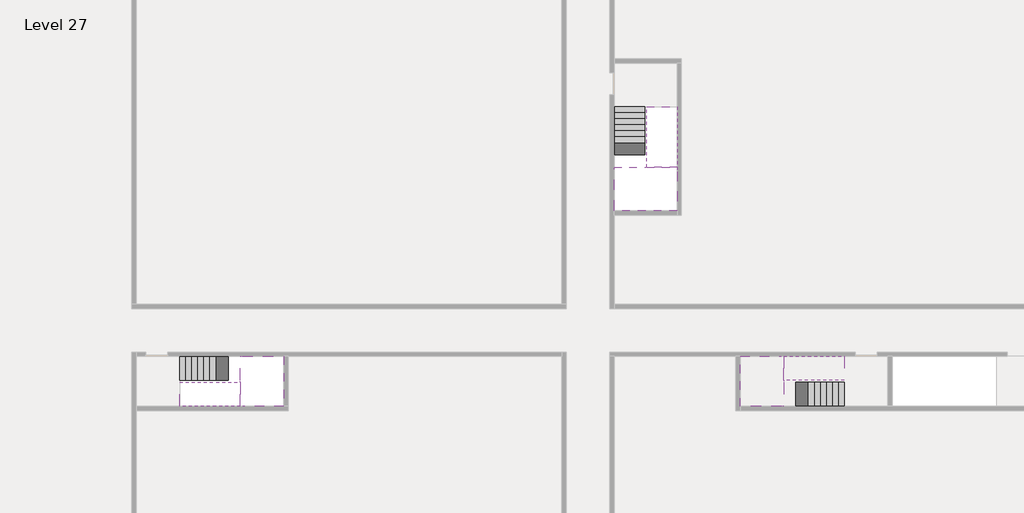
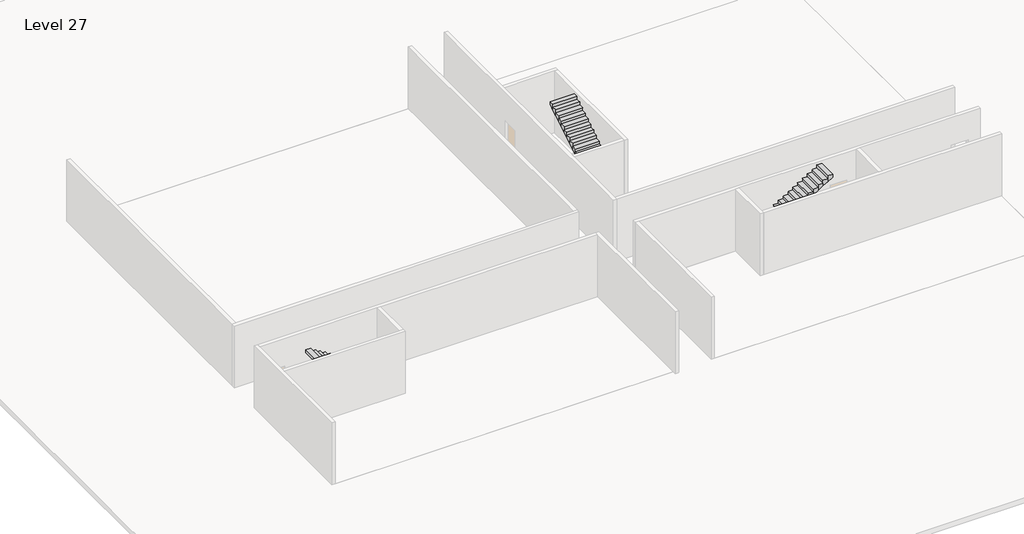
# One storey, part 2 of 2: 6 stair flights, 3 slabs.
"""IFC4 building model written with IfcOpenShell, lengths in millimetres."""

import ifcopenshell
import ifcopenshell.guid

model = None  # the IFC model being written
_history = None  # IfcOwnerHistory: only IFC2X3 demands one
_inside = {}  # id of a spatial element -> (the spatial element, [elements in it])
_under = {}  # id of a project, library or spatial element -> (it, [spatial elements below it])
_declared = {}  # id of a project -> (the project, [libraries it declares])
_typed = {}  # id of a type object -> (the type object, [elements of that type])
_made_of = {}  # id of a material, layer set ... -> (it, [elements and type objects made of it])


def new_model(schema):
    """Start an empty IFC model of exactly this schema.

    Asked for "IFC4X3", IfcOpenShell would pick the latest addendum, in which some entities
    have other attributes; the version numbers below select the first issue.
    IFC2X3 requires an IfcOwnerHistory on every rooted entity: one is made here for all.
    """
    global model, _history
    if schema == "IFC4X3":
        model = ifcopenshell.file(schema_version=(4, 3, 0, 0))
    else:
        model = ifcopenshell.file(schema=schema)
    _inside.clear()
    _under.clear()
    _declared.clear()
    _typed.clear()
    _made_of.clear()
    _history = None
    if model.schema == "IFC2X3":
        org = make("IfcOrganization", Name="unknown")
        user = make(
            "IfcPersonAndOrganization",
            ThePerson=make("IfcPerson", FamilyName="unknown"),
            TheOrganization=org,
        )
        app = make(
            "IfcApplication",
            ApplicationDeveloper=org,
            Version="unknown",
            ApplicationFullName="unknown",
            ApplicationIdentifier="unknown",
        )
        _history = make(
            "IfcOwnerHistory",
            OwningUser=user,
            OwningApplication=app,
            ChangeAction="ADDED",
            CreationDate=0,
        )
    return model


def make(cls, **values):
    """One entity of the class cls with the attributes given. An attribute that is None is left unset."""
    return model.create_entity(
        cls, **{name: value for name, value in values.items() if value is not None}
    )


def rooted(cls, **values):
    """An entity with a GlobalId (a new one), such as an element, a storey or a relation."""
    return make(cls, GlobalId=ifcopenshell.guid.new(), OwnerHistory=_history, **values)


def si_unit(unit_type, name, prefix=None):
    """IfcSIUnit, for example si_unit("LENGTHUNIT", "METRE", prefix="MILLI")."""
    return make("IfcSIUnit", UnitType=unit_type, Prefix=prefix, Name=name)


def assignment(units):
    """IfcUnitAssignment: the units of a project."""
    return None if units is None else make("IfcUnitAssignment", Units=units)


def point(xyz):
    """IfcCartesianPoint."""
    return None if xyz is None else make("IfcCartesianPoint", Coordinates=xyz)


def direction(xyz):
    """IfcDirection."""
    return None if xyz is None else make("IfcDirection", DirectionRatios=xyz)


def frame(location, z_axis=None, x_axis=None):
    """IfcAxis2Placement3D, a coordinate frame: its origin and axes. An axis left out is left unset."""
    return make(
        "IfcAxis2Placement3D",
        Location=point(location),
        Axis=direction(z_axis),
        RefDirection=direction(x_axis),
    )


def origin():
    """The frame at (0, 0, 0) with its axes left unset."""
    return frame((0.0, 0.0, 0.0))


def place(relative_to, where):
    """IfcLocalPlacement: puts the frame where relative to a parent placement (None: the world)."""
    return make(
        "IfcLocalPlacement", PlacementRelTo=relative_to, RelativePlacement=where
    )


def context(
    kind, dimensions, precision=None, world=None, true_north=None, identifier=None
):
    """IfcGeometricRepresentationContext, for example the 3D "Model" context."""
    return make(
        "IfcGeometricRepresentationContext",
        ContextIdentifier=identifier,
        ContextType=kind,
        CoordinateSpaceDimension=dimensions,
        Precision=precision,
        WorldCoordinateSystem=world,
        TrueNorth=true_north,
    )


def project(units=None, contexts=None):
    """IfcProject with its units and contexts."""
    return rooted(
        "IfcProject",
        Name="project",
        RepresentationContexts=contexts,
        UnitsInContext=assignment(units),
    )


def spatial(cls, under=None, at=None, **own):
    """A site, building, storey or space (cls), placed at a placement, below another one or the project."""
    s = rooted(cls, ObjectPlacement=at, **own)
    if under is not None:
        _under.setdefault(under.id(), (under, []))[1].append(s)
    return s


def faces_of(points, faces, orient=None, outer=None):
    """IfcFace entities. A face is a list of loops; a loop is a list of indices into points, from 0.

    orient and outer hold one flag for each loop. By default every Orientation is true, the
    first loop of a face is its IfcFaceOuterBound and the others are IfcFaceBound.
    """
    made = []
    for i, loops in enumerate(faces):
        bounds = []
        for j, loop in enumerate(loops):
            is_outer = j == 0 if outer is None else outer[i][j]
            bounds.append(
                make(
                    "IfcFaceOuterBound" if is_outer else "IfcFaceBound",
                    Bound=make("IfcPolyLoop", Polygon=[points[k] for k in loop]),
                    Orientation=True if orient is None else orient[i][j],
                )
            )
        made.append(make("IfcFace", Bounds=bounds))
    return made


def faceted_brep(points, faces, orient=None, outer=None, voids=None):
    """IfcFacetedBrep: a solid bounded by flat faces; with voids (closed shells), ...WithVoids."""
    shared = [point(p) for p in points]
    hull = make("IfcClosedShell", CfsFaces=faces_of(shared, faces, orient, outer))
    if voids is None:
        return make("IfcFacetedBrep", Outer=hull)
    return make(
        "IfcFacetedBrepWithVoids",
        Outer=hull,
        Voids=[
            make(cls, CfsFaces=faces_of(shared, fs, o, b)) for cls, fs, o, b in voids
        ],
    )


def shape(context_of_items, identifier, shape_type, items):
    """IfcShapeRepresentation: the items that make up one representation, for example the "Body"."""
    return make(
        "IfcShapeRepresentation",
        ContextOfItems=context_of_items,
        RepresentationIdentifier=identifier,
        RepresentationType=shape_type,
        Items=items,
    )


def made_of(thing, what):
    """Note that an element or type object is made of a material, layer set ...; save() writes the relation."""
    if what is not None:
        _made_of.setdefault(what.id(), (what, []))[1].append(thing)
    return thing


def element(
    cls,
    number,
    at=None,
    inside=None,
    cuts=None,
    type_object=None,
    material=None,
    context=None,
    identifier="Body",
    shape_type=None,
    held_by="IfcProductDefinitionShape",
    body=None,
    shapes=None,
    **own,
):
    """One element of the class cls, such as IfcWall. Its Tag is "e" and its number.

    at: its placement. inside: the storey or other place that contains it. cuts: it is an
    opening in that element (IfcRelVoidsElement). A single representation is given by context,
    identifier, shape_type and body (its items); several are given by shapes. held_by: the class
    of the entity that holds the representations. save() writes the other relations.
    """
    e = rooted(cls, Tag="e%d" % number, ObjectPlacement=at, **own)
    if body is not None:
        shapes = [shape(context, identifier, shape_type, body)]
    if shapes is not None:
        e.Representation = make(held_by, Representations=shapes)
    if inside is not None:
        _inside.setdefault(inside.id(), (inside, []))[1].append(e)
    if cuts is not None:
        rooted(
            "IfcRelVoidsElement", RelatingBuildingElement=cuts, RelatedOpeningElement=e
        )
    if type_object is not None:
        _typed.setdefault(type_object.id(), (type_object, []))[1].append(e)
    return made_of(e, material)


def aggregate(whole, parts):
    """IfcRelAggregates: a whole, such as a stair, and the parts it consists of."""
    return rooted("IfcRelAggregates", RelatingObject=whole, RelatedObjects=parts)


def save(model, path):
    """Write the relations noted so far, then the file.

    IfcRelAggregates (storeys below a building ...), IfcRelContainedInSpatialStructure (elements
    in a storey), IfcRelDefinesByType, IfcRelAssociatesMaterial and IfcRelDeclares: one each for
    every whole, place, type object, material and project.
    """
    for whole, parts in _under.values():
        aggregate(whole, parts)
    for where, things in _inside.values():
        rooted(
            "IfcRelContainedInSpatialStructure",
            RelatedElements=things,
            RelatingStructure=where,
        )
    for kind, things in _typed.values():
        rooted("IfcRelDefinesByType", RelatedObjects=things, RelatingType=kind)
    for what, things in _made_of.values():
        rooted("IfcRelAssociatesMaterial", RelatedObjects=things, RelatingMaterial=what)
    for by, libraries in _declared.values():
        rooted("IfcRelDeclares", RelatingContext=by, RelatedDefinitions=libraries)
    model.write(path)


model = new_model("IFC4")

# Units and contexts
model_context = context("Model", 3, world=origin())
ifc_project = project(units=[si_unit("LENGTHUNIT", "METRE", prefix="MILLI")], contexts=[model_context])

# Site, building, storey
site = spatial("IfcSite", under=ifc_project)
building = spatial("IfcBuilding", under=site)
storey = spatial("IfcBuildingStorey", under=building, Name="Level 27", Elevation=98800.0)

# Slabs
placement = place(None, origin())
element("IfcSlab", 1, at=placement, inside=storey, context=model_context, shape_type="Brep", body=[
    faceted_brep([(8190.1058784, -42918.09644, 100700.0), (8190.1058784, -44018.09644, 100700.0), (8190.1058784, -44118.09644, 100700.0), (8190.1058784, -45218.09644, 100700.0), (8390.7194421, -45218.09644, 100700.0), (10190.1058784, -45218.09644, 100700.0), (10190.1058784, -42918.09644, 100700.0), (8269.4923146, -42918.09644, 100700.0), (8190.1058784, -42918.09644, 100527.2727273), (8190.1058784, -42918.09644, 100351.0278478), (8190.1058784, -44018.09644, 100351.0278478), (8190.1058784, -44018.09644, 100400.0), (8190.1058784, -44118.09644, 100400.0), (8190.1058784, -44118.09644, 100523.7551205), (8190.1058784, -45218.09644, 100523.7551205), (8390.7194421, -45218.09644, 100400.0), (10190.1058784, -45218.09644, 100400.0), (10190.1058784, -42918.09644, 100400.0), (8269.4923146, -42918.09644, 100400.0), (8390.7194421, -44118.09644, 100400.0), (8269.4923146, -44018.09644, 100400.0)], [[[0, 1, 2, 3, 4, 5, 6, 7]], [[1, 0, 8, 9, 10, 11]], [[2, 1, 11, 12, 13]], [[3, 2, 13, 14]], [[3, 14, 15, 16, 5, 4]], [[6, 5, 16, 17]], [[9, 8, 0, 7, 6, 17, 18]], [[19, 12, 11, 20, 18, 17, 16, 15]], [[12, 19, 13]], [[18, 20, 10, 9]], [[20, 11, 10]], [[19, 15, 14, 13]]]),
])
element("IfcSlab", 2, at=placement, inside=storey, context=model_context, shape_type="Brep", body=[
    faceted_brep([(33190.1058784, -45218.09644, 100700.0), (33190.1058784, -44118.09644, 100700.0), (33190.1058784, -44018.09644, 100700.0), (33190.1058784, -42918.09644, 100700.0), (32989.4923146, -42918.09644, 100700.0), (31190.1058784, -42918.09644, 100700.0), (31190.1058784, -45218.09644, 100700.0), (33110.7194421, -45218.09644, 100700.0), (33190.1058784, -45218.09644, 100527.2727273), (33190.1058784, -45218.09644, 100351.0278478), (33190.1058784, -44118.09644, 100351.0278478), (33190.1058784, -44118.09644, 100400.0), (33190.1058784, -44018.09644, 100400.0), (33190.1058784, -44018.09644, 100523.7551205), (33190.1058784, -42918.09644, 100523.7551205), (32989.4923146, -42918.09644, 100400.0), (31190.1058784, -42918.09644, 100400.0), (31190.1058784, -45218.09644, 100400.0), (33110.7194421, -45218.09644, 100400.0), (32989.4923146, -44018.09644, 100400.0), (33110.7194421, -44118.09644, 100400.0)], [[[0, 1, 2, 3, 4, 5, 6, 7]], [[1, 0, 8, 9, 10, 11]], [[2, 1, 11, 12, 13]], [[3, 2, 13, 14]], [[3, 14, 15, 16, 5, 4]], [[6, 5, 16, 17]], [[9, 8, 0, 7, 6, 17, 18]], [[19, 12, 11, 20, 18, 17, 16, 15]], [[12, 19, 13]], [[18, 20, 10, 9]], [[20, 11, 10]], [[19, 15, 14, 13]]]),
])
element("IfcSlab", 3, at=placement, inside=storey, context=model_context, shape_type="Brep", body=[
    faceted_brep([(26790.1058784, -34218.09644, 100700.0), (25390.1058784, -34218.09644, 100700.0), (25390.1058784, -34297.4828763, 100700.0), (25390.1058784, -36218.09644, 100700.0), (28290.1058784, -36218.09644, 100700.0), (28290.1058784, -34418.7100038, 100700.0), (28290.1058784, -34218.09644, 100700.0), (26890.1058784, -34218.09644, 100700.0), (26790.1058784, -34218.09644, 100400.0), (26790.1058784, -34218.09644, 100351.0278478), (25390.1058784, -34218.09644, 100351.0278478), (25390.1058784, -34218.09644, 100527.2727273), (25390.1058784, -34297.4828763, 100400.0), (25390.1058784, -36218.09644, 100400.0), (28290.1058784, -36218.09644, 100400.0), (28290.1058784, -34418.7100038, 100400.0), (28290.1058784, -34218.09644, 100523.7551205), (26890.1058784, -34218.09644, 100523.7551205), (26890.1058784, -34218.09644, 100400.0), (26890.1058784, -34418.7100038, 100400.0), (26790.1058784, -34297.4828763, 100400.0)], [[[0, 1, 2, 3, 4, 5, 6, 7]], [[1, 0, 8, 9, 10, 11]], [[1, 11, 10, 12, 13, 3, 2]], [[4, 3, 13, 14]], [[4, 14, 15, 16, 6, 5]], [[7, 6, 16, 17]], [[0, 7, 17, 18, 8]], [[18, 19, 15, 14, 13, 12, 20, 8]], [[19, 18, 17]], [[20, 12, 10, 9]], [[8, 20, 9]], [[15, 19, 17, 16]]]),
])

# Stair flights
element("IfcStairFlight", 4, at=placement, inside=storey, context=model_context, shape_type="Brep", body=[
    faceted_brep([(5670.1058784, -42918.09644, 98972.7272727), (5390.1058784, -42918.09644, 98972.7272727), (5390.1058784, -44018.09644, 98972.7272727), (5670.1058784, -44018.09644, 98972.7272727), (5670.1058784, -42918.09644, 98800.0), (5390.1058784, -42918.09644, 98800.0), (5390.1058784, -44018.09644, 98800.0), (5670.1058784, -44018.09644, 98800.0), (5950.1058784, -42918.09644, 99145.4545455), (5670.1058784, -42918.09644, 99145.4545455), (5670.1058784, -44018.09644, 99145.4545455), (5950.1058784, -44018.09644, 99145.4545455), (5950.1058784, -42918.09644, 98969.209666), (5675.8081041, -42918.09644, 98800.0), (5675.8081041, -44018.09644, 98800.0), (5950.1058784, -44018.09644, 98969.209666), (6230.1058784, -42918.09644, 99318.1818182), (5950.1058784, -42918.09644, 99318.1818182), (5950.1058784, -44018.09644, 99318.1818182), (6230.1058784, -44018.09644, 99318.1818182), (6230.1058784, -42918.09644, 99141.9369387), (6230.1058784, -44018.09644, 99141.9369387), (6510.1058784, -42918.09644, 99490.9090909), (6230.1058784, -42918.09644, 99490.9090909), (6230.1058784, -44018.09644, 99490.9090909), (6510.1058784, -44018.09644, 99490.9090909), (6510.1058784, -42918.09644, 99314.6642114), (6510.1058784, -44018.09644, 99314.6642114), (6790.1058784, -42918.09644, 99663.6363636), (6510.1058784, -42918.09644, 99663.6363636), (6510.1058784, -44018.09644, 99663.6363636), (6790.1058784, -44018.09644, 99663.6363636), (6790.1058784, -42918.09644, 99487.3914841), (6790.1058784, -44018.09644, 99487.3914841), (7070.1058784, -42918.09644, 99836.3636364), (6790.1058784, -42918.09644, 99836.3636364), (6790.1058784, -44018.09644, 99836.3636364), (7070.1058784, -44018.09644, 99836.3636364), (7070.1058784, -42918.09644, 99660.1187569), (7070.1058784, -44018.09644, 99660.1187569), (7350.1058784, -42918.09644, 100009.0909091), (7070.1058784, -42918.09644, 100009.0909091), (7070.1058784, -44018.09644, 100009.0909091), (7350.1058784, -44018.09644, 100009.0909091), (7350.1058784, -42918.09644, 99832.8460296), (7350.1058784, -44018.09644, 99832.8460296), (7630.1058784, -42918.09644, 100181.8181818), (7350.1058784, -42918.09644, 100181.8181818), (7350.1058784, -44018.09644, 100181.8181818), (7630.1058784, -44018.09644, 100181.8181818), (7630.1058784, -42918.09644, 100005.5733023), (7630.1058784, -44018.09644, 100005.5733023), (7910.1058784, -42918.09644, 100354.5454545), (7630.1058784, -42918.09644, 100354.5454545), (7630.1058784, -44018.09644, 100354.5454545), (7910.1058784, -44018.09644, 100354.5454545), (7910.1058784, -42918.09644, 100178.3005751), (7910.1058784, -44018.09644, 100178.3005751), (8190.1058784, -42918.09644, 100527.2727273), (7910.1058784, -42918.09644, 100527.2727273), (7910.1058784, -44018.09644, 100527.2727273), (8190.1058784, -44018.09644, 100527.2727273), (8190.1058784, -42918.09644, 100351.0278478), (8190.1058784, -44018.09644, 100351.0278478), (8190.1058784, -44018.09644, 100400.0)], [[[0, 1, 2, 3]], [[1, 0, 4, 5]], [[2, 1, 5, 6]], [[3, 2, 6, 7]], [[8, 9, 10, 11]], [[4, 0, 9, 8, 12, 13]], [[0, 3, 10, 9]], [[3, 7, 14, 15, 11, 10]], [[16, 17, 18, 19]], [[17, 16, 20, 12, 8]], [[8, 11, 18, 17]], [[19, 18, 11, 15, 21]], [[22, 23, 24, 25]], [[23, 22, 26, 20, 16]], [[16, 19, 24, 23]], [[25, 24, 19, 21, 27]], [[28, 29, 30, 31]], [[29, 28, 32, 26, 22]], [[22, 25, 30, 29]], [[31, 30, 25, 27, 33]], [[34, 35, 36, 37]], [[35, 34, 38, 32, 28]], [[28, 31, 36, 35]], [[37, 36, 31, 33, 39]], [[40, 41, 42, 43]], [[41, 40, 44, 38, 34]], [[34, 37, 42, 41]], [[43, 42, 37, 39, 45]], [[46, 47, 48, 49]], [[47, 46, 50, 44, 40]], [[40, 43, 48, 47]], [[49, 48, 43, 45, 51]], [[52, 53, 54, 55]], [[53, 52, 56, 50, 46]], [[46, 49, 54, 53]], [[55, 54, 49, 51, 57]], [[58, 59, 60, 61]], [[59, 58, 62, 56, 52]], [[52, 55, 60, 59]], [[61, 60, 55, 57, 63, 64]], [[58, 61, 64, 63, 62]], [[5, 4, 13, 14, 7, 6]], [[14, 13, 12, 20, 26, 32, 38, 44, 50, 56, 62, 63, 57, 51, 45, 39, 33, 27, 21, 15]]]),
])
element("IfcStairFlight", 5, at=placement, inside=storey, context=model_context, shape_type="Brep", body=[
    faceted_brep([(7910.1058784, -45218.09644, 100872.7272727), (8190.1058784, -45218.09644, 100872.7272727), (8190.1058784, -44118.09644, 100872.7272727), (7910.1058784, -44118.09644, 100872.7272727), (7910.1058784, -45218.09644, 100696.4823932), (8190.1058784, -45218.09644, 100523.7551205), (8190.1058784, -45218.09644, 100700.0), (8190.1058784, -44118.09644, 100523.7551205), (7910.1058784, -44118.09644, 100696.4823932), (7630.1058784, -45218.09644, 101045.4545455), (7910.1058784, -45218.09644, 101045.4545455), (7910.1058784, -44118.09644, 101045.4545455), (7630.1058784, -44118.09644, 101045.4545455), (7630.1058784, -45218.09644, 100869.209666), (7630.1058784, -44118.09644, 100869.209666), (7350.1058784, -45218.09644, 101218.1818182), (7630.1058784, -45218.09644, 101218.1818182), (7630.1058784, -44118.09644, 101218.1818182), (7350.1058784, -44118.09644, 101218.1818182), (7350.1058784, -45218.09644, 101041.9369387), (7350.1058784, -44118.09644, 101041.9369387), (7070.1058784, -45218.09644, 101390.9090909), (7350.1058784, -45218.09644, 101390.9090909), (7350.1058784, -44118.09644, 101390.9090909), (7070.1058784, -44118.09644, 101390.9090909), (7070.1058784, -45218.09644, 101214.6642114), (7070.1058784, -44118.09644, 101214.6642114), (6790.1058784, -45218.09644, 101563.6363636), (7070.1058784, -45218.09644, 101563.6363636), (7070.1058784, -44118.09644, 101563.6363636), (6790.1058784, -44118.09644, 101563.6363636), (6790.1058784, -45218.09644, 101387.3914841), (6790.1058784, -44118.09644, 101387.3914841), (6510.1058784, -45218.09644, 101736.3636364), (6790.1058784, -45218.09644, 101736.3636364), (6790.1058784, -44118.09644, 101736.3636364), (6510.1058784, -44118.09644, 101736.3636364), (6510.1058784, -45218.09644, 101560.1187569), (6510.1058784, -44118.09644, 101560.1187569), (6230.1058784, -45218.09644, 101909.0909091), (6510.1058784, -45218.09644, 101909.0909091), (6510.1058784, -44118.09644, 101909.0909091), (6230.1058784, -44118.09644, 101909.0909091), (6230.1058784, -45218.09644, 101732.8460296), (6230.1058784, -44118.09644, 101732.8460296), (5950.1058784, -45218.09644, 102081.8181818), (6230.1058784, -45218.09644, 102081.8181818), (6230.1058784, -44118.09644, 102081.8181818), (5950.1058784, -44118.09644, 102081.8181818), (5950.1058784, -45218.09644, 101905.5733023), (5950.1058784, -44118.09644, 101905.5733023), (5670.1058784, -45218.09644, 102254.5454545), (5950.1058784, -45218.09644, 102254.5454545), (5950.1058784, -44118.09644, 102254.5454545), (5670.1058784, -44118.09644, 102254.5454545), (5670.1058784, -45218.09644, 102078.3005751), (5670.1058784, -44118.09644, 102078.3005751), (5390.1058784, -45218.09644, 102427.2727273), (5670.1058784, -45218.09644, 102427.2727273), (5670.1058784, -44118.09644, 102427.2727273), (5390.1058784, -44118.09644, 102427.2727273), (5390.1058784, -45218.09644, 102251.0278478), (5390.1058784, -44118.09644, 102251.0278478)], [[[0, 1, 2, 3]], [[1, 0, 4, 5, 6]], [[2, 1, 6, 5, 7]], [[3, 2, 7, 8]], [[9, 10, 11, 12]], [[10, 9, 13, 4, 0]], [[11, 10, 0, 3]], [[12, 11, 3, 8, 14]], [[15, 16, 17, 18]], [[16, 15, 19, 13, 9]], [[17, 16, 9, 12]], [[18, 17, 12, 14, 20]], [[21, 22, 23, 24]], [[22, 21, 25, 19, 15]], [[23, 22, 15, 18]], [[24, 23, 18, 20, 26]], [[27, 28, 29, 30]], [[28, 27, 31, 25, 21]], [[29, 28, 21, 24]], [[30, 29, 24, 26, 32]], [[33, 34, 35, 36]], [[34, 33, 37, 31, 27]], [[35, 34, 27, 30]], [[36, 35, 30, 32, 38]], [[39, 40, 41, 42]], [[40, 39, 43, 37, 33]], [[41, 40, 33, 36]], [[42, 41, 36, 38, 44]], [[45, 46, 47, 48]], [[46, 45, 49, 43, 39]], [[47, 46, 39, 42]], [[48, 47, 42, 44, 50]], [[51, 52, 53, 54]], [[52, 51, 55, 49, 45]], [[53, 52, 45, 48]], [[54, 53, 48, 50, 56]], [[57, 58, 59, 60]], [[58, 57, 61, 55, 51]], [[59, 58, 51, 54]], [[60, 59, 54, 56, 62]], [[57, 60, 62, 61]], [[5, 4, 13, 19, 25, 31, 37, 43, 49, 55, 61, 62, 56, 50, 44, 38, 32, 26, 20, 14, 8, 7]]]),
])
element("IfcStairFlight", 6, at=placement, inside=storey, context=model_context, shape_type="Brep", body=[
    faceted_brep([(35710.1058784, -45218.09644, 98972.7272727), (35990.1058784, -45218.09644, 98972.7272727), (35990.1058784, -44118.09644, 98972.7272727), (35710.1058784, -44118.09644, 98972.7272727), (35710.1058784, -45218.09644, 98800.0), (35990.1058784, -45218.09644, 98800.0), (35990.1058784, -44118.09644, 98800.0), (35710.1058784, -44118.09644, 98800.0), (35430.1058784, -45218.09644, 99145.4545455), (35710.1058784, -45218.09644, 99145.4545455), (35710.1058784, -44118.09644, 99145.4545455), (35430.1058784, -44118.09644, 99145.4545455), (35430.1058784, -45218.09644, 98969.209666), (35704.4036527, -45218.09644, 98800.0), (35704.4036527, -44118.09644, 98800.0), (35430.1058784, -44118.09644, 98969.209666), (35150.1058784, -45218.09644, 99318.1818182), (35430.1058784, -45218.09644, 99318.1818182), (35430.1058784, -44118.09644, 99318.1818182), (35150.1058784, -44118.09644, 99318.1818182), (35150.1058784, -45218.09644, 99141.9369387), (35150.1058784, -44118.09644, 99141.9369387), (34870.1058784, -45218.09644, 99490.9090909), (35150.1058784, -45218.09644, 99490.9090909), (35150.1058784, -44118.09644, 99490.9090909), (34870.1058784, -44118.09644, 99490.9090909), (34870.1058784, -45218.09644, 99314.6642114), (34870.1058784, -44118.09644, 99314.6642114), (34590.1058784, -45218.09644, 99663.6363636), (34870.1058784, -45218.09644, 99663.6363636), (34870.1058784, -44118.09644, 99663.6363636), (34590.1058784, -44118.09644, 99663.6363636), (34590.1058784, -45218.09644, 99487.3914841), (34590.1058784, -44118.09644, 99487.3914841), (34310.1058784, -45218.09644, 99836.3636364), (34590.1058784, -45218.09644, 99836.3636364), (34590.1058784, -44118.09644, 99836.3636364), (34310.1058784, -44118.09644, 99836.3636364), (34310.1058784, -45218.09644, 99660.1187569), (34310.1058784, -44118.09644, 99660.1187569), (34030.1058784, -45218.09644, 100009.0909091), (34310.1058784, -45218.09644, 100009.0909091), (34310.1058784, -44118.09644, 100009.0909091), (34030.1058784, -44118.09644, 100009.0909091), (34030.1058784, -45218.09644, 99832.8460296), (34030.1058784, -44118.09644, 99832.8460296), (33750.1058784, -45218.09644, 100181.8181818), (34030.1058784, -45218.09644, 100181.8181818), (34030.1058784, -44118.09644, 100181.8181818), (33750.1058784, -44118.09644, 100181.8181818), (33750.1058784, -45218.09644, 100005.5733023), (33750.1058784, -44118.09644, 100005.5733023), (33470.1058784, -45218.09644, 100354.5454545), (33750.1058784, -45218.09644, 100354.5454545), (33750.1058784, -44118.09644, 100354.5454545), (33470.1058784, -44118.09644, 100354.5454545), (33470.1058784, -45218.09644, 100178.3005751), (33470.1058784, -44118.09644, 100178.3005751), (33190.1058784, -45218.09644, 100527.2727273), (33470.1058784, -45218.09644, 100527.2727273), (33470.1058784, -44118.09644, 100527.2727273), (33190.1058784, -44118.09644, 100527.2727273), (33190.1058784, -45218.09644, 100351.0278478), (33190.1058784, -44118.09644, 100351.0278478), (33190.1058784, -44118.09644, 100400.0)], [[[0, 1, 2, 3]], [[1, 0, 4, 5]], [[2, 1, 5, 6]], [[3, 2, 6, 7]], [[8, 9, 10, 11]], [[4, 0, 9, 8, 12, 13]], [[0, 3, 10, 9]], [[3, 7, 14, 15, 11, 10]], [[16, 17, 18, 19]], [[17, 16, 20, 12, 8]], [[8, 11, 18, 17]], [[19, 18, 11, 15, 21]], [[22, 23, 24, 25]], [[23, 22, 26, 20, 16]], [[16, 19, 24, 23]], [[25, 24, 19, 21, 27]], [[28, 29, 30, 31]], [[29, 28, 32, 26, 22]], [[22, 25, 30, 29]], [[31, 30, 25, 27, 33]], [[34, 35, 36, 37]], [[35, 34, 38, 32, 28]], [[28, 31, 36, 35]], [[37, 36, 31, 33, 39]], [[40, 41, 42, 43]], [[41, 40, 44, 38, 34]], [[34, 37, 42, 41]], [[43, 42, 37, 39, 45]], [[46, 47, 48, 49]], [[47, 46, 50, 44, 40]], [[40, 43, 48, 47]], [[49, 48, 43, 45, 51]], [[52, 53, 54, 55]], [[53, 52, 56, 50, 46]], [[46, 49, 54, 53]], [[55, 54, 49, 51, 57]], [[58, 59, 60, 61]], [[59, 58, 62, 56, 52]], [[52, 55, 60, 59]], [[61, 60, 55, 57, 63, 64]], [[58, 61, 64, 63, 62]], [[5, 4, 13, 14, 7, 6]], [[14, 13, 12, 20, 26, 32, 38, 44, 50, 56, 62, 63, 57, 51, 45, 39, 33, 27, 21, 15]]]),
])
element("IfcStairFlight", 7, at=placement, inside=storey, context=model_context, shape_type="Brep", body=[
    faceted_brep([(33470.1058784, -42918.09644, 100872.7272727), (33190.1058784, -42918.09644, 100872.7272727), (33190.1058784, -44018.09644, 100872.7272727), (33470.1058784, -44018.09644, 100872.7272727), (33470.1058784, -42918.09644, 100696.4823932), (33190.1058784, -42918.09644, 100523.7551205), (33190.1058784, -42918.09644, 100700.0), (33190.1058784, -44018.09644, 100523.7551205), (33470.1058784, -44018.09644, 100696.4823932), (33750.1058784, -42918.09644, 101045.4545455), (33470.1058784, -42918.09644, 101045.4545455), (33470.1058784, -44018.09644, 101045.4545455), (33750.1058784, -44018.09644, 101045.4545455), (33750.1058784, -42918.09644, 100869.209666), (33750.1058784, -44018.09644, 100869.209666), (34030.1058784, -42918.09644, 101218.1818182), (33750.1058784, -42918.09644, 101218.1818182), (33750.1058784, -44018.09644, 101218.1818182), (34030.1058784, -44018.09644, 101218.1818182), (34030.1058784, -42918.09644, 101041.9369387), (34030.1058784, -44018.09644, 101041.9369387), (34310.1058784, -42918.09644, 101390.9090909), (34030.1058784, -42918.09644, 101390.9090909), (34030.1058784, -44018.09644, 101390.9090909), (34310.1058784, -44018.09644, 101390.9090909), (34310.1058784, -42918.09644, 101214.6642114), (34310.1058784, -44018.09644, 101214.6642114), (34590.1058784, -42918.09644, 101563.6363636), (34310.1058784, -42918.09644, 101563.6363636), (34310.1058784, -44018.09644, 101563.6363636), (34590.1058784, -44018.09644, 101563.6363636), (34590.1058784, -42918.09644, 101387.3914841), (34590.1058784, -44018.09644, 101387.3914841), (34870.1058784, -42918.09644, 101736.3636364), (34590.1058784, -42918.09644, 101736.3636364), (34590.1058784, -44018.09644, 101736.3636364), (34870.1058784, -44018.09644, 101736.3636364), (34870.1058784, -42918.09644, 101560.1187569), (34870.1058784, -44018.09644, 101560.1187569), (35150.1058784, -42918.09644, 101909.0909091), (34870.1058784, -42918.09644, 101909.0909091), (34870.1058784, -44018.09644, 101909.0909091), (35150.1058784, -44018.09644, 101909.0909091), (35150.1058784, -42918.09644, 101732.8460296), (35150.1058784, -44018.09644, 101732.8460296), (35430.1058784, -42918.09644, 102081.8181818), (35150.1058784, -42918.09644, 102081.8181818), (35150.1058784, -44018.09644, 102081.8181818), (35430.1058784, -44018.09644, 102081.8181818), (35430.1058784, -42918.09644, 101905.5733023), (35430.1058784, -44018.09644, 101905.5733023), (35710.1058784, -42918.09644, 102254.5454545), (35430.1058784, -42918.09644, 102254.5454545), (35430.1058784, -44018.09644, 102254.5454545), (35710.1058784, -44018.09644, 102254.5454545), (35710.1058784, -42918.09644, 102078.3005751), (35710.1058784, -44018.09644, 102078.3005751), (35990.1058784, -42918.09644, 102427.2727273), (35710.1058784, -42918.09644, 102427.2727273), (35710.1058784, -44018.09644, 102427.2727273), (35990.1058784, -44018.09644, 102427.2727273), (35990.1058784, -42918.09644, 102251.0278478), (35990.1058784, -44018.09644, 102251.0278478)], [[[0, 1, 2, 3]], [[1, 0, 4, 5, 6]], [[2, 1, 6, 5, 7]], [[3, 2, 7, 8]], [[9, 10, 11, 12]], [[10, 9, 13, 4, 0]], [[11, 10, 0, 3]], [[12, 11, 3, 8, 14]], [[15, 16, 17, 18]], [[16, 15, 19, 13, 9]], [[17, 16, 9, 12]], [[18, 17, 12, 14, 20]], [[21, 22, 23, 24]], [[22, 21, 25, 19, 15]], [[23, 22, 15, 18]], [[24, 23, 18, 20, 26]], [[27, 28, 29, 30]], [[28, 27, 31, 25, 21]], [[29, 28, 21, 24]], [[30, 29, 24, 26, 32]], [[33, 34, 35, 36]], [[34, 33, 37, 31, 27]], [[35, 34, 27, 30]], [[36, 35, 30, 32, 38]], [[39, 40, 41, 42]], [[40, 39, 43, 37, 33]], [[41, 40, 33, 36]], [[42, 41, 36, 38, 44]], [[45, 46, 47, 48]], [[46, 45, 49, 43, 39]], [[47, 46, 39, 42]], [[48, 47, 42, 44, 50]], [[51, 52, 53, 54]], [[52, 51, 55, 49, 45]], [[53, 52, 45, 48]], [[54, 53, 48, 50, 56]], [[57, 58, 59, 60]], [[58, 57, 61, 55, 51]], [[59, 58, 51, 54]], [[60, 59, 54, 56, 62]], [[57, 60, 62, 61]], [[5, 4, 13, 19, 25, 31, 37, 43, 49, 55, 61, 62, 56, 50, 44, 38, 32, 26, 20, 14, 8, 7]]]),
])
element("IfcStairFlight", 8, at=placement, inside=storey, context=model_context, shape_type="Brep", body=[
    faceted_brep([(26790.1058784, -31698.09644, 98972.7272727), (26790.1058784, -31418.09644, 98972.7272727), (25390.1058784, -31418.09644, 98972.7272727), (25390.1058784, -31698.09644, 98972.7272727), (26790.1058784, -31698.09644, 98800.0), (26790.1058784, -31418.09644, 98800.0), (25390.1058784, -31418.09644, 98800.0), (25390.1058784, -31698.09644, 98800.0), (26790.1058784, -31978.09644, 99145.4545455), (26790.1058784, -31698.09644, 99145.4545455), (25390.1058784, -31698.09644, 99145.4545455), (25390.1058784, -31978.09644, 99145.4545455), (26790.1058784, -31978.09644, 98969.209666), (26790.1058784, -31703.7986657, 98800.0), (25390.1058784, -31703.7986657, 98800.0), (25390.1058784, -31978.09644, 98969.209666), (26790.1058784, -32258.09644, 99318.1818182), (26790.1058784, -31978.09644, 99318.1818182), (25390.1058784, -31978.09644, 99318.1818182), (25390.1058784, -32258.09644, 99318.1818182), (26790.1058784, -32258.09644, 99141.9369387), (25390.1058784, -32258.09644, 99141.9369387), (26790.1058784, -32538.09644, 99490.9090909), (26790.1058784, -32258.09644, 99490.9090909), (25390.1058784, -32258.09644, 99490.9090909), (25390.1058784, -32538.09644, 99490.9090909), (26790.1058784, -32538.09644, 99314.6642114), (25390.1058784, -32538.09644, 99314.6642114), (26790.1058784, -32818.09644, 99663.6363636), (26790.1058784, -32538.09644, 99663.6363636), (25390.1058784, -32538.09644, 99663.6363636), (25390.1058784, -32818.09644, 99663.6363636), (26790.1058784, -32818.09644, 99487.3914841), (25390.1058784, -32818.09644, 99487.3914841), (26790.1058784, -33098.09644, 99836.3636364), (26790.1058784, -32818.09644, 99836.3636364), (25390.1058784, -32818.09644, 99836.3636364), (25390.1058784, -33098.09644, 99836.3636364), (26790.1058784, -33098.09644, 99660.1187569), (25390.1058784, -33098.09644, 99660.1187569), (26790.1058784, -33378.09644, 100009.0909091), (26790.1058784, -33098.09644, 100009.0909091), (25390.1058784, -33098.09644, 100009.0909091), (25390.1058784, -33378.09644, 100009.0909091), (26790.1058784, -33378.09644, 99832.8460296), (25390.1058784, -33378.09644, 99832.8460296), (26790.1058784, -33658.09644, 100181.8181818), (26790.1058784, -33378.09644, 100181.8181818), (25390.1058784, -33378.09644, 100181.8181818), (25390.1058784, -33658.09644, 100181.8181818), (26790.1058784, -33658.09644, 100005.5733023), (25390.1058784, -33658.09644, 100005.5733023), (26790.1058784, -33938.09644, 100354.5454545), (26790.1058784, -33658.09644, 100354.5454545), (25390.1058784, -33658.09644, 100354.5454545), (25390.1058784, -33938.09644, 100354.5454545), (26790.1058784, -33938.09644, 100178.3005751), (25390.1058784, -33938.09644, 100178.3005751), (26790.1058784, -34218.09644, 100527.2727273), (26790.1058784, -33938.09644, 100527.2727273), (25390.1058784, -33938.09644, 100527.2727273), (25390.1058784, -34218.09644, 100527.2727273), (26790.1058784, -34218.09644, 100400.0), (26790.1058784, -34218.09644, 100351.0278478), (25390.1058784, -34218.09644, 100351.0278478)], [[[0, 1, 2, 3]], [[1, 0, 4, 5]], [[2, 1, 5, 6]], [[3, 2, 6, 7]], [[8, 9, 10, 11]], [[4, 0, 9, 8, 12, 13]], [[0, 3, 10, 9]], [[3, 7, 14, 15, 11, 10]], [[16, 17, 18, 19]], [[17, 16, 20, 12, 8]], [[8, 11, 18, 17]], [[19, 18, 11, 15, 21]], [[22, 23, 24, 25]], [[23, 22, 26, 20, 16]], [[16, 19, 24, 23]], [[25, 24, 19, 21, 27]], [[28, 29, 30, 31]], [[29, 28, 32, 26, 22]], [[22, 25, 30, 29]], [[31, 30, 25, 27, 33]], [[34, 35, 36, 37]], [[35, 34, 38, 32, 28]], [[28, 31, 36, 35]], [[37, 36, 31, 33, 39]], [[40, 41, 42, 43]], [[41, 40, 44, 38, 34]], [[34, 37, 42, 41]], [[43, 42, 37, 39, 45]], [[46, 47, 48, 49]], [[47, 46, 50, 44, 40]], [[40, 43, 48, 47]], [[49, 48, 43, 45, 51]], [[52, 53, 54, 55]], [[53, 52, 56, 50, 46]], [[46, 49, 54, 53]], [[55, 54, 49, 51, 57]], [[58, 59, 60, 61]], [[59, 58, 62, 63, 56, 52]], [[52, 55, 60, 59]], [[61, 60, 55, 57, 64]], [[58, 61, 64, 63, 62]], [[5, 4, 13, 14, 7, 6]], [[14, 13, 12, 20, 26, 32, 38, 44, 50, 56, 63, 64, 57, 51, 45, 39, 33, 27, 21, 15]]]),
])
element("IfcStairFlight", 9, at=placement, inside=storey, context=model_context, shape_type="Brep", body=[
    faceted_brep([(26890.1058784, -33938.09644, 100872.7272727), (26890.1058784, -34218.09644, 100872.7272727), (28290.1058784, -34218.09644, 100872.7272727), (28290.1058784, -33938.09644, 100872.7272727), (26890.1058784, -33938.09644, 100696.4823932), (26890.1058784, -34218.09644, 100523.7551205), (28290.1058784, -34218.09644, 100523.7551205), (28290.1058784, -34218.09644, 100700.0), (28290.1058784, -33938.09644, 100696.4823932), (26890.1058784, -33658.09644, 101045.4545455), (26890.1058784, -33938.09644, 101045.4545455), (28290.1058784, -33938.09644, 101045.4545455), (28290.1058784, -33658.09644, 101045.4545455), (26890.1058784, -33658.09644, 100869.209666), (28290.1058784, -33658.09644, 100869.209666), (26890.1058784, -33378.09644, 101218.1818182), (26890.1058784, -33658.09644, 101218.1818182), (28290.1058784, -33658.09644, 101218.1818182), (28290.1058784, -33378.09644, 101218.1818182), (26890.1058784, -33378.09644, 101041.9369387), (28290.1058784, -33378.09644, 101041.9369387), (26890.1058784, -33098.09644, 101390.9090909), (26890.1058784, -33378.09644, 101390.9090909), (28290.1058784, -33378.09644, 101390.9090909), (28290.1058784, -33098.09644, 101390.9090909), (26890.1058784, -33098.09644, 101214.6642114), (28290.1058784, -33098.09644, 101214.6642114), (26890.1058784, -32818.09644, 101563.6363636), (26890.1058784, -33098.09644, 101563.6363636), (28290.1058784, -33098.09644, 101563.6363636), (28290.1058784, -32818.09644, 101563.6363636), (26890.1058784, -32818.09644, 101387.3914841), (28290.1058784, -32818.09644, 101387.3914841), (26890.1058784, -32538.09644, 101736.3636364), (26890.1058784, -32818.09644, 101736.3636364), (28290.1058784, -32818.09644, 101736.3636364), (28290.1058784, -32538.09644, 101736.3636364), (26890.1058784, -32538.09644, 101560.1187569), (28290.1058784, -32538.09644, 101560.1187569), (26890.1058784, -32258.09644, 101909.0909091), (26890.1058784, -32538.09644, 101909.0909091), (28290.1058784, -32538.09644, 101909.0909091), (28290.1058784, -32258.09644, 101909.0909091), (26890.1058784, -32258.09644, 101732.8460296), (28290.1058784, -32258.09644, 101732.8460296), (26890.1058784, -31978.09644, 102081.8181818), (26890.1058784, -32258.09644, 102081.8181818), (28290.1058784, -32258.09644, 102081.8181818), (28290.1058784, -31978.09644, 102081.8181818), (26890.1058784, -31978.09644, 101905.5733023), (28290.1058784, -31978.09644, 101905.5733023), (26890.1058784, -31698.09644, 102254.5454545), (26890.1058784, -31978.09644, 102254.5454545), (28290.1058784, -31978.09644, 102254.5454545), (28290.1058784, -31698.09644, 102254.5454545), (26890.1058784, -31698.09644, 102078.3005751), (28290.1058784, -31698.09644, 102078.3005751), (26890.1058784, -31418.09644, 102427.2727273), (26890.1058784, -31698.09644, 102427.2727273), (28290.1058784, -31698.09644, 102427.2727273), (28290.1058784, -31418.09644, 102427.2727273), (26890.1058784, -31418.09644, 102251.0278478), (28290.1058784, -31418.09644, 102251.0278478)], [[[0, 1, 2, 3]], [[1, 0, 4, 5]], [[2, 1, 5, 6, 7]], [[3, 2, 7, 6, 8]], [[9, 10, 11, 12]], [[10, 9, 13, 4, 0]], [[11, 10, 0, 3]], [[12, 11, 3, 8, 14]], [[15, 16, 17, 18]], [[16, 15, 19, 13, 9]], [[17, 16, 9, 12]], [[18, 17, 12, 14, 20]], [[21, 22, 23, 24]], [[22, 21, 25, 19, 15]], [[23, 22, 15, 18]], [[24, 23, 18, 20, 26]], [[27, 28, 29, 30]], [[28, 27, 31, 25, 21]], [[29, 28, 21, 24]], [[30, 29, 24, 26, 32]], [[33, 34, 35, 36]], [[34, 33, 37, 31, 27]], [[35, 34, 27, 30]], [[36, 35, 30, 32, 38]], [[39, 40, 41, 42]], [[40, 39, 43, 37, 33]], [[41, 40, 33, 36]], [[42, 41, 36, 38, 44]], [[45, 46, 47, 48]], [[46, 45, 49, 43, 39]], [[47, 46, 39, 42]], [[48, 47, 42, 44, 50]], [[51, 52, 53, 54]], [[52, 51, 55, 49, 45]], [[53, 52, 45, 48]], [[54, 53, 48, 50, 56]], [[57, 58, 59, 60]], [[58, 57, 61, 55, 51]], [[59, 58, 51, 54]], [[60, 59, 54, 56, 62]], [[57, 60, 62, 61]], [[5, 4, 13, 19, 25, 31, 37, 43, 49, 55, 61, 62, 56, 50, 44, 38, 32, 26, 20, 14, 8, 6]]]),
])

save(model, "model.ifc")
